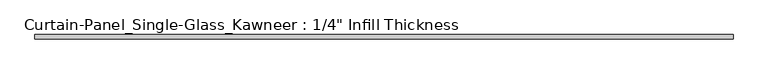
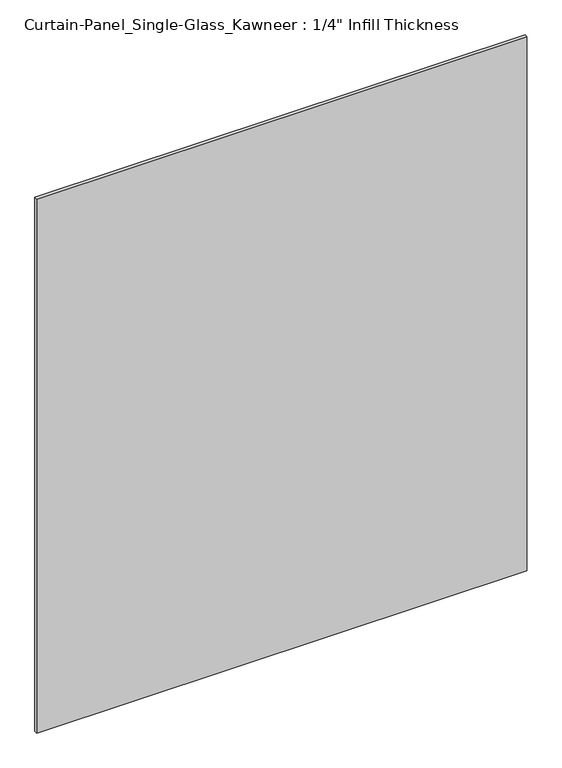
"""IFC4 building model written with IfcOpenShell, lengths in millimetres: plate geometry."""

from ifc_helpers import new_model, si_unit, origin, origin_with_axes, place, context, project, spatial, polyline, outline, extrude, source, transform, mapped, element, save


def plate_cf14cd17(model_context):
    return source(origin(), model_context, "Body", "SweptSolid", [
        extrude(outline(polyline([(501.65, -3.175), (-501.65, -3.175), (-501.65, 3.175), (501.65, 3.175), (501.65, -3.175)])), origin_with_axes(), (0.0, 0.0, 1.0), 1155.7),
    ])


if __name__ == "__main__":
    model = new_model("IFC4")
    model_context = context("Model", 3, world=origin())
    ifc_project = project(units=[si_unit("LENGTHUNIT", "METRE", prefix="MILLI")], contexts=[model_context])
    site = spatial("IfcSite", under=ifc_project)
    building = spatial("IfcBuilding", under=site)
    placement = place(None, origin())
    plate_shape = plate_cf14cd17(model_context)
    element("IfcPlate", 1, ObjectType="Curtain-Panel_Single-Glass_Kawneer : 1/4\" Infill Thickness", at=placement, inside=building, context=model_context, shape_type="MappedRepresentation", body=[
        mapped(plate_shape, transform((0.0, 0.0, 0.0), x_axis=(1.0, 0.0, 0.0), y_axis=(0.0, 1.0, 0.0), z_axis=(0.0, 0.0, 1.0))),
    ])
    save(model, "model.ifc")
